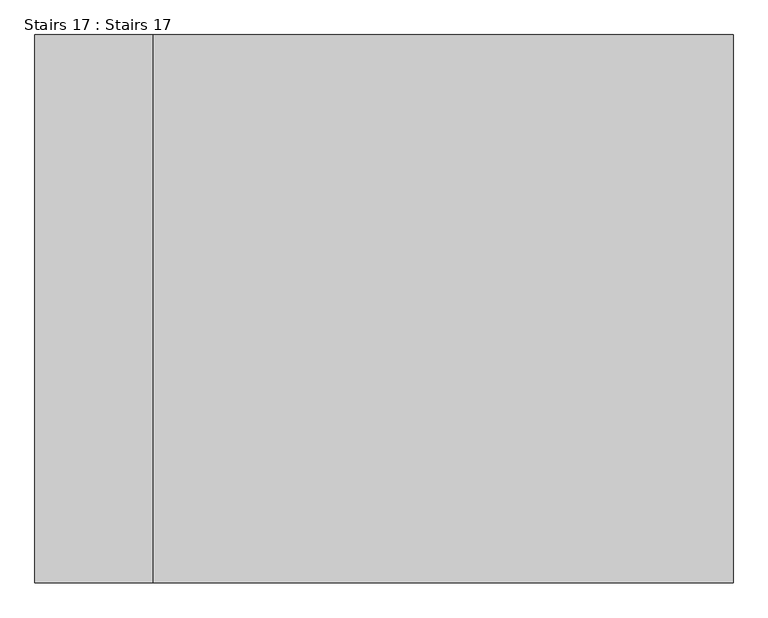
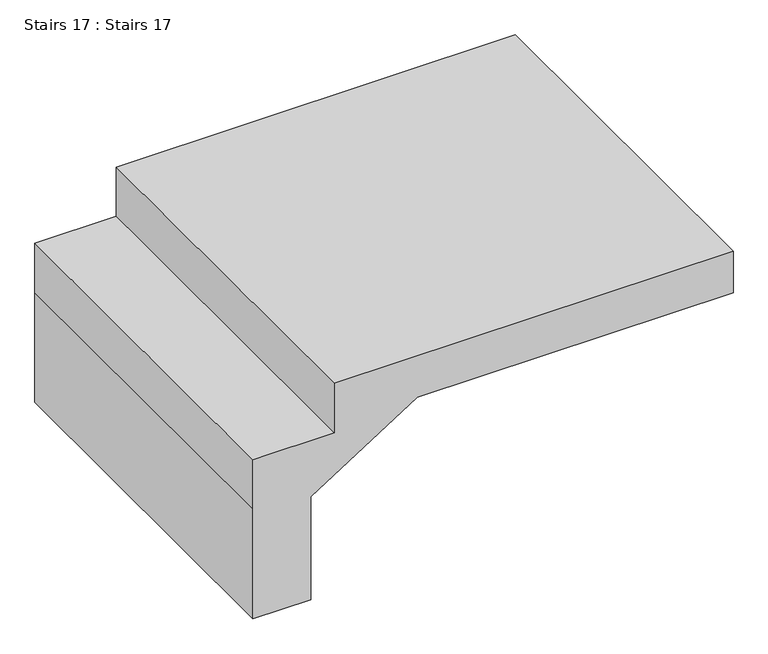
"""IFC4 building model written with IfcOpenShell, lengths in millimetres: stair geometry, Stairs 17 : Stairs 17."""

from ifc_helpers import new_model, si_unit, frame, origin, place, context, project, spatial, polyline, outline, extrude, source, transform, mapped, element, save


def stairs_17_stairs_17_479d3b18(model_context):
    return source(origin(), model_context, "Body", "SweptSolid", [
        extrude(outline(polyline([(-3720.5555556, -30640.6912908), (-3720.5555556, -30920.6912908), (-3900.0, -30920.6912908), (-4300.0, -30920.6912908), (-4300.0, -30720.6912908), (-3926.2311544, -30720.6912908), (-3691.1111111, -30353.8166722), (-3691.1111111, -29265.6912908), (-3541.1111111, -29265.6912908), (-3541.1111111, -30640.6912908), (-3720.5555556, -30640.6912908)])), frame((0.0, -7479.0672499, 0.0), z_axis=(0.0, 1.0, 0.0), x_axis=(0.0, 0.0, 1.0)), (0.0, 0.0, 1.0), 1300.0),
    ])


if __name__ == "__main__":
    model = new_model("IFC4")
    model_context = context("Model", 3, world=origin())
    ifc_project = project(units=[si_unit("LENGTHUNIT", "METRE", prefix="MILLI")], contexts=[model_context])
    site = spatial("IfcSite", under=ifc_project)
    building = spatial("IfcBuilding", under=site)
    placement = place(None, origin())
    stairs_17_stairs_17_shape = stairs_17_stairs_17_479d3b18(model_context)
    element("IfcStair", 1, ObjectType="Stairs 17 : Stairs 17", at=placement, inside=building, context=model_context, shape_type="MappedRepresentation", body=[
        mapped(stairs_17_stairs_17_shape, transform((0.0, 0.0, 0.0), x_axis=(1.0, 0.0, 0.0), y_axis=(0.0, 1.0, 0.0), z_axis=(0.0, 0.0, 1.0))),
    ])
    save(model, "model.ifc")
